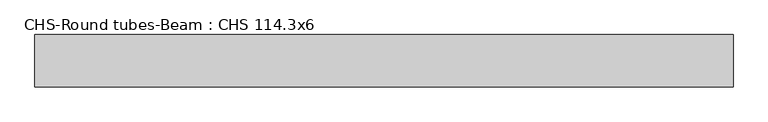
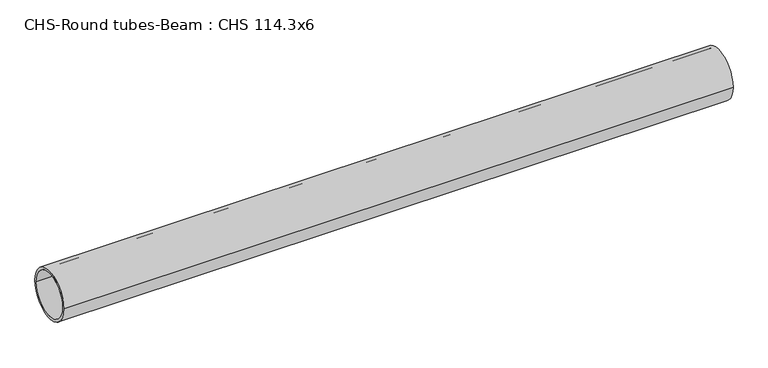
"""IFC4 building model written with IfcOpenShell, lengths in millimetres: beam geometry, CHS-Round tubes-Beam : CHS 114.3x6."""

import ifcopenshell
import ifcopenshell.guid

model = None  # the IFC model being written
_history = None  # IfcOwnerHistory: only IFC2X3 demands one
_inside = {}  # id of a spatial element -> (the spatial element, [elements in it])
_under = {}  # id of a project, library or spatial element -> (it, [spatial elements below it])
_declared = {}  # id of a project -> (the project, [libraries it declares])
_typed = {}  # id of a type object -> (the type object, [elements of that type])
_made_of = {}  # id of a material, layer set ... -> (it, [elements and type objects made of it])


def new_model(schema):
    """Start an empty IFC model of exactly this schema.

    Asked for "IFC4X3", IfcOpenShell would pick the latest addendum, in which some entities
    have other attributes; the version numbers below select the first issue.
    IFC2X3 requires an IfcOwnerHistory on every rooted entity: one is made here for all.
    """
    global model, _history
    if schema == "IFC4X3":
        model = ifcopenshell.file(schema_version=(4, 3, 0, 0))
    else:
        model = ifcopenshell.file(schema=schema)
    _inside.clear()
    _under.clear()
    _declared.clear()
    _typed.clear()
    _made_of.clear()
    _history = None
    if model.schema == "IFC2X3":
        org = make("IfcOrganization", Name="unknown")
        user = make(
            "IfcPersonAndOrganization",
            ThePerson=make("IfcPerson", FamilyName="unknown"),
            TheOrganization=org,
        )
        app = make(
            "IfcApplication",
            ApplicationDeveloper=org,
            Version="unknown",
            ApplicationFullName="unknown",
            ApplicationIdentifier="unknown",
        )
        _history = make(
            "IfcOwnerHistory",
            OwningUser=user,
            OwningApplication=app,
            ChangeAction="ADDED",
            CreationDate=0,
        )
    return model


def make(cls, **values):
    """One entity of the class cls with the attributes given. An attribute that is None is left unset."""
    return model.create_entity(
        cls, **{name: value for name, value in values.items() if value is not None}
    )


def rooted(cls, **values):
    """An entity with a GlobalId (a new one), such as an element, a storey or a relation."""
    return make(cls, GlobalId=ifcopenshell.guid.new(), OwnerHistory=_history, **values)


def si_unit(unit_type, name, prefix=None):
    """IfcSIUnit, for example si_unit("LENGTHUNIT", "METRE", prefix="MILLI")."""
    return make("IfcSIUnit", UnitType=unit_type, Prefix=prefix, Name=name)


def assignment(units):
    """IfcUnitAssignment: the units of a project."""
    return None if units is None else make("IfcUnitAssignment", Units=units)


def point(xyz):
    """IfcCartesianPoint."""
    return None if xyz is None else make("IfcCartesianPoint", Coordinates=xyz)


def direction(xyz):
    """IfcDirection."""
    return None if xyz is None else make("IfcDirection", DirectionRatios=xyz)


def frame(location, z_axis=None, x_axis=None):
    """IfcAxis2Placement3D, a coordinate frame: its origin and axes. An axis left out is left unset."""
    return make(
        "IfcAxis2Placement3D",
        Location=point(location),
        Axis=direction(z_axis),
        RefDirection=direction(x_axis),
    )


def frame_2d(location, x_axis=None):
    """IfcAxis2Placement2D, a coordinate frame in the plane: its origin and x axis."""
    return make(
        "IfcAxis2Placement2D", Location=point(location), RefDirection=direction(x_axis)
    )


def origin():
    """The frame at (0, 0, 0) with its axes left unset."""
    return frame((0.0, 0.0, 0.0))


def origin_2d():
    """The frame at (0, 0) in the plane with its x axis left unset."""
    return frame_2d((0.0, 0.0))


def place(relative_to, where):
    """IfcLocalPlacement: puts the frame where relative to a parent placement (None: the world)."""
    return make(
        "IfcLocalPlacement", PlacementRelTo=relative_to, RelativePlacement=where
    )


def context(
    kind, dimensions, precision=None, world=None, true_north=None, identifier=None
):
    """IfcGeometricRepresentationContext, for example the 3D "Model" context."""
    return make(
        "IfcGeometricRepresentationContext",
        ContextIdentifier=identifier,
        ContextType=kind,
        CoordinateSpaceDimension=dimensions,
        Precision=precision,
        WorldCoordinateSystem=world,
        TrueNorth=true_north,
    )


def project(units=None, contexts=None):
    """IfcProject with its units and contexts."""
    return rooted(
        "IfcProject",
        Name="project",
        RepresentationContexts=contexts,
        UnitsInContext=assignment(units),
    )


def spatial(cls, under=None, at=None, **own):
    """A site, building, storey or space (cls), placed at a placement, below another one or the project."""
    s = rooted(cls, ObjectPlacement=at, **own)
    if under is not None:
        _under.setdefault(under.id(), (under, []))[1].append(s)
    return s


def circle_curve(where, radius):
    """IfcCircle in the frame where."""
    return make("IfcCircle", Position=where, Radius=radius)


def trimmed(basis, trim1, trim2, sense, master):
    """IfcTrimmedCurve: the piece of a basis curve between two trims."""
    return make(
        "IfcTrimmedCurve",
        BasisCurve=basis,
        Trim1=trim1,
        Trim2=trim2,
        SenseAgreement=sense,
        MasterRepresentation=master,
    )


def segment(curve, same_sense, transition):
    """IfcCompositeCurveSegment."""
    return make(
        "IfcCompositeCurveSegment",
        Transition=transition,
        SameSense=same_sense,
        ParentCurve=curve,
    )


def composite_curve(segments, self_intersect=None):
    """IfcCompositeCurve: segments joined end to end."""
    return make("IfcCompositeCurve", Segments=segments, SelfIntersect=self_intersect)


def outline(outer, holes=None, kind="AREA"):
    """IfcArbitraryClosedProfileDef: a profile drawn as a closed curve; with holes, ...WithVoids."""
    if holes is None:
        return make("IfcArbitraryClosedProfileDef", ProfileType=kind, OuterCurve=outer)
    return make(
        "IfcArbitraryProfileDefWithVoids",
        ProfileType=kind,
        OuterCurve=outer,
        InnerCurves=holes,
    )


def extrude(swept, where, along, depth):
    """IfcExtrudedAreaSolid: the profile swept, set in the frame where, extruded along a direction by depth."""
    return make(
        "IfcExtrudedAreaSolid",
        SweptArea=swept,
        Position=where,
        ExtrudedDirection=direction(along),
        Depth=depth,
    )


def shape(context_of_items, identifier, shape_type, items):
    """IfcShapeRepresentation: the items that make up one representation, for example the "Body"."""
    return make(
        "IfcShapeRepresentation",
        ContextOfItems=context_of_items,
        RepresentationIdentifier=identifier,
        RepresentationType=shape_type,
        Items=items,
    )


def source(mapping_origin, context_of_items, identifier, shape_type, items):
    """IfcRepresentationMap: a shape defined once, which mapped items show again and again."""
    return make(
        "IfcRepresentationMap",
        MappingOrigin=mapping_origin,
        MappedRepresentation=shape(context_of_items, identifier, shape_type, items),
    )


def transform(
    local_origin,
    x_axis=None,
    y_axis=None,
    z_axis=None,
    scale=None,
    scale2=None,
    scale3=None,
    uniform=True,
):
    """IfcCartesianTransformationOperator3D, or its non-uniform kind. x_axis, y_axis, z_axis: its Axis1, 2, 3."""
    if uniform:
        return make(
            "IfcCartesianTransformationOperator3D",
            Axis1=direction(x_axis),
            Axis2=direction(y_axis),
            LocalOrigin=point(local_origin),
            Scale=scale,
            Axis3=direction(z_axis),
        )
    return make(
        "IfcCartesianTransformationOperator3DnonUniform",
        Axis1=direction(x_axis),
        Axis2=direction(y_axis),
        LocalOrigin=point(local_origin),
        Scale=scale,
        Axis3=direction(z_axis),
        Scale2=scale2,
        Scale3=scale3,
    )


def mapped(mapping_source, mapping_target):
    """IfcMappedItem: shows the shape of a source again, moved by a transform."""
    return make(
        "IfcMappedItem", MappingSource=mapping_source, MappingTarget=mapping_target
    )


def made_of(thing, what):
    """Note that an element or type object is made of a material, layer set ...; save() writes the relation."""
    if what is not None:
        _made_of.setdefault(what.id(), (what, []))[1].append(thing)
    return thing


def element(
    cls,
    number,
    at=None,
    inside=None,
    cuts=None,
    type_object=None,
    material=None,
    context=None,
    identifier="Body",
    shape_type=None,
    held_by="IfcProductDefinitionShape",
    body=None,
    shapes=None,
    **own,
):
    """One element of the class cls, such as IfcWall. Its Tag is "e" and its number.

    at: its placement. inside: the storey or other place that contains it. cuts: it is an
    opening in that element (IfcRelVoidsElement). A single representation is given by context,
    identifier, shape_type and body (its items); several are given by shapes. held_by: the class
    of the entity that holds the representations. save() writes the other relations.
    """
    e = rooted(cls, Tag="e%d" % number, ObjectPlacement=at, **own)
    if body is not None:
        shapes = [shape(context, identifier, shape_type, body)]
    if shapes is not None:
        e.Representation = make(held_by, Representations=shapes)
    if inside is not None:
        _inside.setdefault(inside.id(), (inside, []))[1].append(e)
    if cuts is not None:
        rooted(
            "IfcRelVoidsElement", RelatingBuildingElement=cuts, RelatedOpeningElement=e
        )
    if type_object is not None:
        _typed.setdefault(type_object.id(), (type_object, []))[1].append(e)
    return made_of(e, material)


def aggregate(whole, parts):
    """IfcRelAggregates: a whole, such as a stair, and the parts it consists of."""
    return rooted("IfcRelAggregates", RelatingObject=whole, RelatedObjects=parts)


def save(model, path):
    """Write the relations noted so far, then the file.

    IfcRelAggregates (storeys below a building ...), IfcRelContainedInSpatialStructure (elements
    in a storey), IfcRelDefinesByType, IfcRelAssociatesMaterial and IfcRelDeclares: one each for
    every whole, place, type object, material and project.
    """
    for whole, parts in _under.values():
        aggregate(whole, parts)
    for where, things in _inside.values():
        rooted(
            "IfcRelContainedInSpatialStructure",
            RelatedElements=things,
            RelatingStructure=where,
        )
    for kind, things in _typed.values():
        rooted("IfcRelDefinesByType", RelatedObjects=things, RelatingType=kind)
    for what, things in _made_of.values():
        rooted("IfcRelAssociatesMaterial", RelatedObjects=things, RelatingMaterial=what)
    for by, libraries in _declared.values():
        rooted("IfcRelDeclares", RelatingContext=by, RelatedDefinitions=libraries)
    model.write(path)


def chs_round_tubes_beam_chs_114_3x6_eb441187(model_context):
    return source(origin(), model_context, "Body", "SweptSolid", [
        extrude(outline(composite_curve([segment(trimmed(circle_curve(origin_2d(), 57.15), [point((57.15, 0.0))], [point((-57.15, 0.0))], False, "CARTESIAN"), True, "CONTINUOUS"), segment(trimmed(circle_curve(origin_2d(), 57.15), [point((-57.15, 0.0))], [point((57.15, 0.0))], False, "CARTESIAN"), True, "CONTINUOUS")], self_intersect=False), holes=[composite_curve([segment(trimmed(circle_curve(origin_2d(), 51.15), [point((51.15, 0.0))], [point((-51.15, 0.0))], True, "CARTESIAN"), True, "CONTINUOUS"), segment(trimmed(circle_curve(origin_2d(), 51.15), [point((-51.15, 0.0))], [point((51.15, 0.0))], True, "CARTESIAN"), True, "CONTINUOUS")], self_intersect=False)]), frame((-777.2463974, 0.0, 0.0), z_axis=(1.0, 0.0, 0.0), x_axis=(0.0, 1.0, 0.0)), (0.0, 0.0, 1.0), 1528.1975279),
    ])


if __name__ == "__main__":
    model = new_model("IFC4")
    model_context = context("Model", 3, world=origin())
    ifc_project = project(units=[si_unit("LENGTHUNIT", "METRE", prefix="MILLI")], contexts=[model_context])
    site = spatial("IfcSite", under=ifc_project)
    building = spatial("IfcBuilding", under=site)
    placement = place(None, origin())
    chs_round_tubes_beam_chs_114_3x6_shape = chs_round_tubes_beam_chs_114_3x6_eb441187(model_context)
    element("IfcBeam", 1, ObjectType="CHS-Round tubes-Beam : CHS 114.3x6", at=placement, inside=building, context=model_context, shape_type="MappedRepresentation", body=[
        mapped(chs_round_tubes_beam_chs_114_3x6_shape, transform((0.0, 0.0, 0.0), x_axis=(1.0, 0.0, 0.0), y_axis=(0.0, 1.0, 0.0), z_axis=(0.0, 0.0, 1.0))),
    ])
    save(model, "model.ifc")
